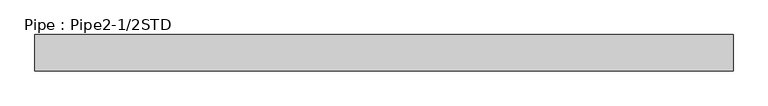
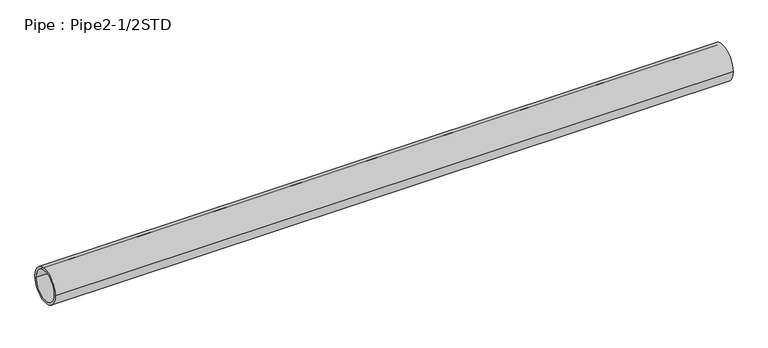
"""IFC4 building model written with IfcOpenShell, lengths in millimetres: beam geometry, Pipe : Pipe2-1/2STD."""

from ifc_helpers import new_model, si_unit, point, frame, origin, origin_2d, place, context, project, spatial, circle_curve, trimmed, segment, composite_curve, outline, extrude, source, transform, mapped, element, save


def pipe_pipe2_1_2std_41805082(model_context):
    return source(origin(), model_context, "Body", "SweptSolid", [
        extrude(outline(composite_curve([segment(trimmed(circle_curve(origin_2d(), 36.5125), [point((-36.5125, 0.0))], [point((36.5125, 0.0))], False, "CARTESIAN"), True, "CONTINUOUS"), segment(trimmed(circle_curve(origin_2d(), 36.5125), [point((36.5125, 0.0))], [point((-36.5125, 0.0))], False, "CARTESIAN"), True, "CONTINUOUS")], self_intersect=False), holes=[composite_curve([segment(trimmed(circle_curve(origin_2d(), 31.3563), [point((31.3563, 0.0))], [point((-31.3563, 0.0))], True, "CARTESIAN"), True, "CONTINUOUS"), segment(trimmed(circle_curve(origin_2d(), 31.3563), [point((-31.3563, 0.0))], [point((31.3563, 0.0))], True, "CARTESIAN"), True, "CONTINUOUS")], self_intersect=False)]), frame((-699.262, 0.0, 0.0), z_axis=(1.0, 0.0, 0.0), x_axis=(0.0, 1.0, 0.0)), (0.0, 0.0, 1.0), 1398.524),
    ])


if __name__ == "__main__":
    model = new_model("IFC4")
    model_context = context("Model", 3, world=origin())
    ifc_project = project(units=[si_unit("LENGTHUNIT", "METRE", prefix="MILLI")], contexts=[model_context])
    site = spatial("IfcSite", under=ifc_project)
    building = spatial("IfcBuilding", under=site)
    placement = place(None, origin())
    pipe_pipe2_1_2std_shape = pipe_pipe2_1_2std_41805082(model_context)
    element("IfcBeam", 1, ObjectType="Pipe : Pipe2-1/2STD", at=placement, inside=building, context=model_context, shape_type="MappedRepresentation", body=[
        mapped(pipe_pipe2_1_2std_shape, transform((0.0, 0.0, 0.0), x_axis=(1.0, 0.0, 0.0), y_axis=(0.0, 1.0, 0.0), z_axis=(0.0, 0.0, 1.0))),
    ])
    save(model, "model.ifc")
